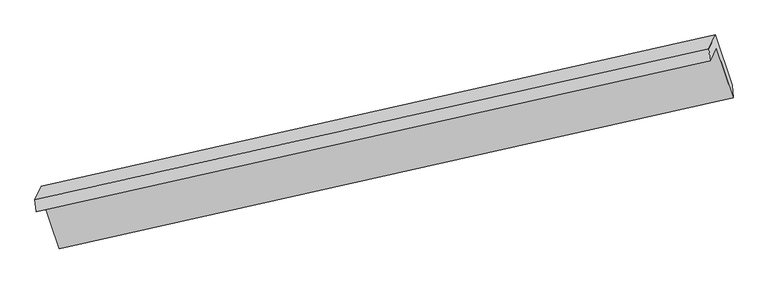
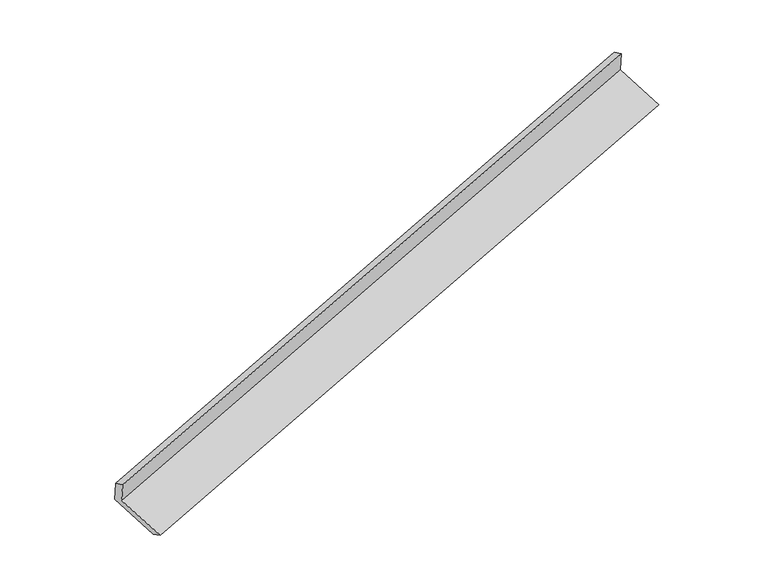
"""IFC4 building model written with IfcOpenShell, lengths in millimetres: proxy geometry."""

from ifc_helpers import new_model, si_unit, origin, place, context, project, spatial, faceted_brep, source, transform, mapped, element, save


def generic_models_0e4dc557(model_context):
    return source(origin(), model_context, "Body", "Brep", [
        faceted_brep([(-7434.4037006, -2481.1209388, 931.9858668), (-7350.4795997, -2306.4948624, 536.5685934), (1550.7707035, -310.8245672, 3290.4202692), (1466.8466026, -485.4506436, 3685.8375426), (-7450.0269752, -2321.0277543, 869.2888158), (1451.2233281, -325.3574591, 3623.1404917), (-7363.048779, -2140.0468327, 459.4818497), (1538.2015242, -144.3765375, 3213.3335255), (-7142.4904612, -2802.3398695, 213.8085257), (1758.759842, -806.6695742, 2967.6602015), (-7129.4169751, -2970.3022331, 290.333537), (1771.8333282, -974.6319379, 3044.1852128)], [[[0, 1, 2, 3]], [[4, 0, 3, 5]], [[6, 4, 5, 7]], [[8, 6, 7, 9]], [[10, 8, 9, 11]], [[1, 10, 11, 2]], [[9, 7, 5, 3, 2, 11]], [[1, 0, 4, 6, 8, 10]]]),
    ])


if __name__ == "__main__":
    model = new_model("IFC4")
    model_context = context("Model", 3, world=origin())
    ifc_project = project(units=[si_unit("LENGTHUNIT", "METRE", prefix="MILLI")], contexts=[model_context])
    site = spatial("IfcSite", under=ifc_project)
    building = spatial("IfcBuilding", under=site)
    placement = place(None, origin())
    generic_models_shape = generic_models_0e4dc557(model_context)
    element("IfcBuildingElementProxy", 1, Name="Generic Models", at=placement, inside=building, context=model_context, shape_type="MappedRepresentation", body=[
        mapped(generic_models_shape, transform((0.0, 0.0, 0.0), x_axis=(1.0, 0.0, 0.0), y_axis=(0.0, 1.0, 0.0), z_axis=(0.0, 0.0, 1.0))),
    ])
    save(model, "model.ifc")
